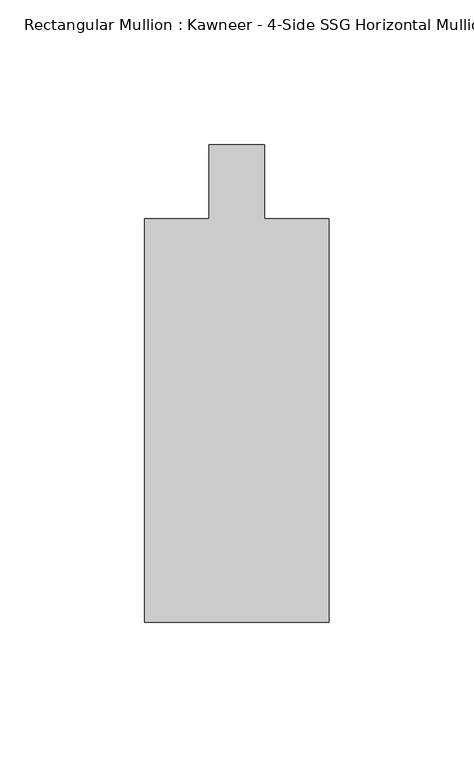
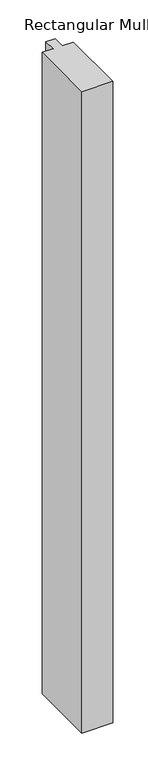
"""IFC4 building model written with IfcOpenShell, lengths in millimetres: member geometry."""

from ifc_helpers import new_model, si_unit, frame, origin, place, context, project, spatial, polyline, outline, extrude, source, transform, mapped, element, save


def member_1b7ddd3f(model_context):
    return source(origin(), model_context, "Body", "SweptSolid", [
        extrude(outline(polyline([(-31.75, -151.892), (-31.75, -12.7), (-9.5251132, -12.7), (-9.5251132, 12.7), (9.5251132, 12.7), (9.5251132, -12.7), (31.75, -12.7), (31.75, -151.892), (-31.75, -151.892)])), frame((0.0, 0.0, -1376.6582482), z_axis=(0.0, 0.0, 1.0), x_axis=(1.0, 0.0, 0.0)), (0.0, 0.0, 1.0), 1376.6582482),
    ])


if __name__ == "__main__":
    model = new_model("IFC4")
    model_context = context("Model", 3, world=origin())
    ifc_project = project(units=[si_unit("LENGTHUNIT", "METRE", prefix="MILLI")], contexts=[model_context])
    site = spatial("IfcSite", under=ifc_project)
    building = spatial("IfcBuilding", under=site)
    placement = place(None, origin())
    member_shape = member_1b7ddd3f(model_context)
    element("IfcMember", 1, ObjectType="Rectangular Mullion : Kawneer - 4-Side SSG Horizontal Mullion - 6 1/2\"", at=placement, inside=building, context=model_context, shape_type="MappedRepresentation", body=[
        mapped(member_shape, transform((0.0, 0.0, 0.0), x_axis=(1.0, 0.0, 0.0), y_axis=(0.0, 1.0, 0.0), z_axis=(0.0, 0.0, 1.0))),
    ])
    save(model, "model.ifc")
